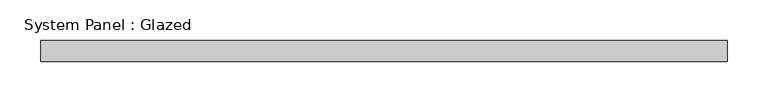
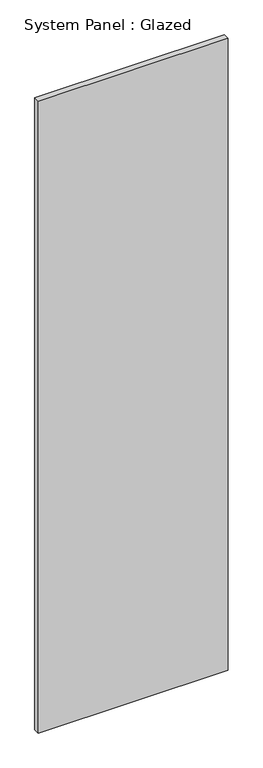
"""IFC4 building model written with IfcOpenShell, lengths in millimetres: plate geometry, System Panel : Glazed."""

from ifc_helpers import new_model, si_unit, origin, origin_with_axes, place, context, project, spatial, polyline, outline, extrude, source, transform, mapped, element, save


def system_panel_glazed_dde813aa(model_context):
    return source(origin(), model_context, "Body", "SweptSolid", [
        extrude(outline(polyline([(419.1, 25.4), (-419.1, 25.4), (-419.1, 50.8), (419.1, 50.8), (419.1, 25.4)])), origin_with_axes(), (0.0, 0.0, 1.0), 2946.4),
    ])


if __name__ == "__main__":
    model = new_model("IFC4")
    model_context = context("Model", 3, world=origin())
    ifc_project = project(units=[si_unit("LENGTHUNIT", "METRE", prefix="MILLI")], contexts=[model_context])
    site = spatial("IfcSite", under=ifc_project)
    building = spatial("IfcBuilding", under=site)
    placement = place(None, origin())
    system_panel_glazed_shape = system_panel_glazed_dde813aa(model_context)
    element("IfcPlate", 1, ObjectType="System Panel : Glazed", at=placement, inside=building, context=model_context, shape_type="MappedRepresentation", body=[
        mapped(system_panel_glazed_shape, transform((0.0, 0.0, 0.0), x_axis=(1.0, 0.0, 0.0), y_axis=(0.0, 1.0, 0.0), z_axis=(0.0, 0.0, 1.0))),
    ])
    save(model, "model.ifc")
